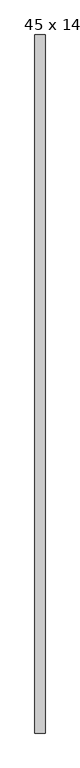
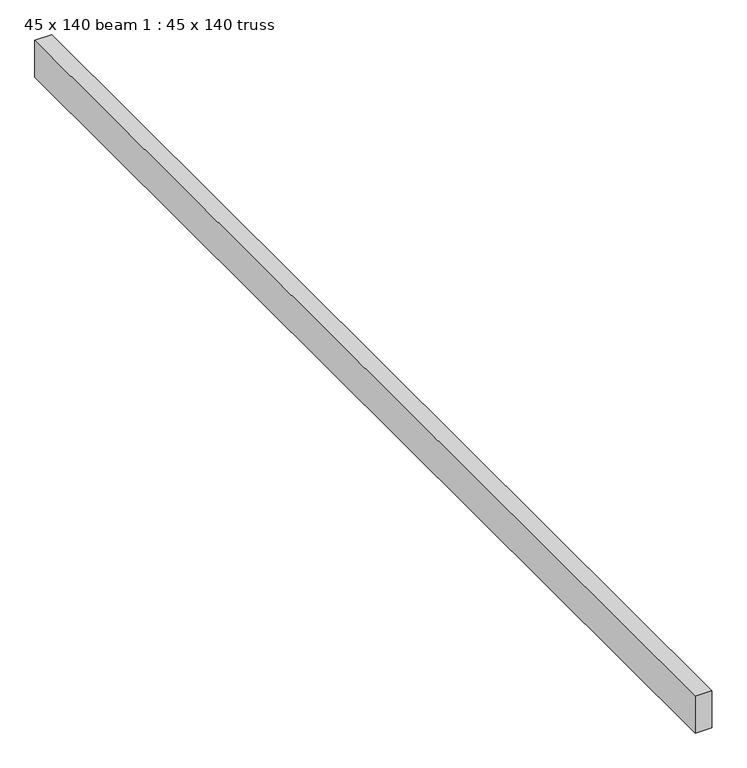
"""IFC4 building model written with IfcOpenShell, lengths in millimetres: proxy geometry, 45 x 140 beam 1 : 45 x 140 truss."""

from ifc_helpers import new_model, si_unit, frame, origin, place, context, project, spatial, polyline, outline, extrude, source, transform, mapped, element, save


def proxy_45_x_140_beam_1_45_x_140_truss_a49e3e50(model_context):
    return source(origin(), model_context, "Body", "SweptSolid", [
        extrude(outline(polyline([(-1195.0224589, -4569.589878), (-1240.0224589, -4569.589878), (-1240.0224589, -1479.589878), (-1195.0224589, -1479.589878), (-1195.0224589, -4569.589878)])), frame((0.0, 0.0, 3679.1177703), z_axis=(0.0, 0.0, 1.0), x_axis=(1.0, 0.0, 0.0)), (0.0, 0.0, 1.0), 105.1275103),
    ])


if __name__ == "__main__":
    model = new_model("IFC4")
    model_context = context("Model", 3, world=origin())
    ifc_project = project(units=[si_unit("LENGTHUNIT", "METRE", prefix="MILLI")], contexts=[model_context])
    site = spatial("IfcSite", under=ifc_project)
    building = spatial("IfcBuilding", under=site)
    placement = place(None, origin())
    proxy_45_x_140_beam_1_45_x_140_truss_shape = proxy_45_x_140_beam_1_45_x_140_truss_a49e3e50(model_context)
    element("IfcBuildingElementProxy", 1, Name="45 x 140 beam 1 : 45 x 140 truss", ObjectType="45 x 140 beam 1 : 45 x 140 truss", at=placement, inside=building, context=model_context, shape_type="MappedRepresentation", body=[
        mapped(proxy_45_x_140_beam_1_45_x_140_truss_shape, transform((0.0, 0.0, 0.0), x_axis=(1.0, 0.0, 0.0), y_axis=(0.0, 1.0, 0.0), z_axis=(0.0, 0.0, 1.0))),
    ])
    save(model, "model.ifc")
